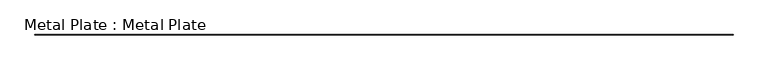
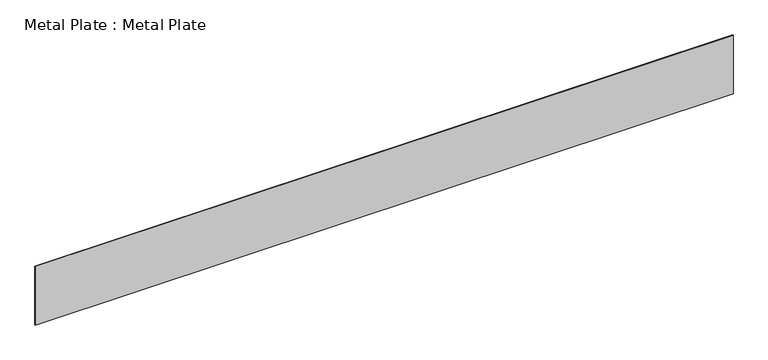
"""IFC4 building model written with IfcOpenShell, lengths in millimetres: proxy geometry, Metal Plate : Metal Plate."""

from ifc_helpers import new_model, si_unit, origin, origin_with_axes, place, context, project, spatial, polyline, outline, extrude, source, transform, mapped, element, save


def metal_plate_metal_plate_53149cdd(model_context):
    return source(origin(), model_context, "Body", "SweptSolid", [
        extrude(outline(polyline([(-6172.1228393, -6.0), (-6172.1228393, 0.0), (6172.1228393, 0.0), (6172.1228393, -6.0), (-6172.1228393, -6.0)])), origin_with_axes(), (0.0, 0.0, 1.0), 1100.0),
    ])


if __name__ == "__main__":
    model = new_model("IFC4")
    model_context = context("Model", 3, world=origin())
    ifc_project = project(units=[si_unit("LENGTHUNIT", "METRE", prefix="MILLI")], contexts=[model_context])
    site = spatial("IfcSite", under=ifc_project)
    building = spatial("IfcBuilding", under=site)
    placement = place(None, origin())
    metal_plate_metal_plate_shape = metal_plate_metal_plate_53149cdd(model_context)
    element("IfcBuildingElementProxy", 1, Name="Metal Plate : Metal Plate", ObjectType="Metal Plate : Metal Plate", at=placement, inside=building, context=model_context, shape_type="MappedRepresentation", body=[
        mapped(metal_plate_metal_plate_shape, transform((0.0, 0.0, 0.0), x_axis=(1.0, 0.0, 0.0), y_axis=(0.0, 1.0, 0.0), z_axis=(0.0, 0.0, 1.0))),
    ])
    save(model, "model.ifc")
